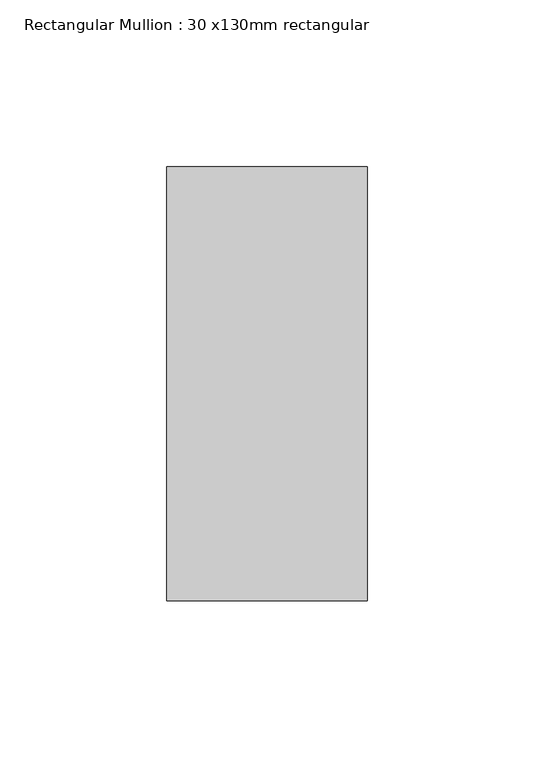
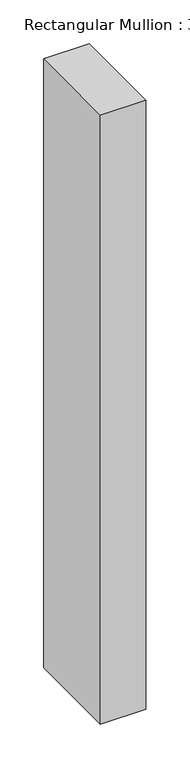
"""IFC4 building model written with IfcOpenShell, lengths in millimetres: member geometry, Rectangular Mullion : 30 x130mm rectangular."""

from ifc_helpers import new_model, si_unit, frame, origin, place, context, project, spatial, polyline, outline, extrude, source, transform, mapped, element, save


def rectangular_mullion_30_x130mm_rectangular_28cee99b(model_context):
    return source(origin(), model_context, "Body", "SweptSolid", [
        extrude(outline(polyline([(0.0, 65.0), (0.0, -65.0), (-60.0, -65.0), (-60.0, 65.0), (0.0, 65.0)])), frame((0.0, 0.0, -851.1089068), z_axis=(0.0, 0.0, 1.0), x_axis=(1.0, 0.0, 0.0)), (0.0, 0.0, 1.0), 851.1089068),
    ])


if __name__ == "__main__":
    model = new_model("IFC4")
    model_context = context("Model", 3, world=origin())
    ifc_project = project(units=[si_unit("LENGTHUNIT", "METRE", prefix="MILLI")], contexts=[model_context])
    site = spatial("IfcSite", under=ifc_project)
    building = spatial("IfcBuilding", under=site)
    placement = place(None, origin())
    rectangular_mullion_30_x130mm_rectangular_shape = rectangular_mullion_30_x130mm_rectangular_28cee99b(model_context)
    element("IfcMember", 1, ObjectType="Rectangular Mullion : 30 x130mm rectangular", at=placement, inside=building, context=model_context, shape_type="MappedRepresentation", body=[
        mapped(rectangular_mullion_30_x130mm_rectangular_shape, transform((0.0, 0.0, 0.0), x_axis=(1.0, 0.0, 0.0), y_axis=(0.0, 1.0, 0.0), z_axis=(0.0, 0.0, 1.0))),
    ])
    save(model, "model.ifc")
